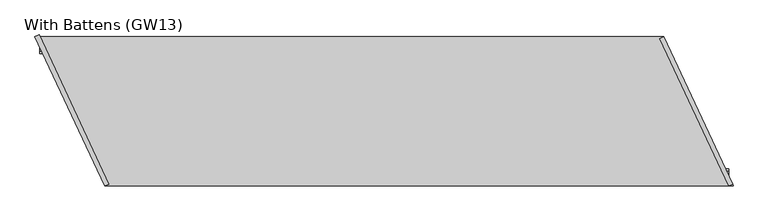
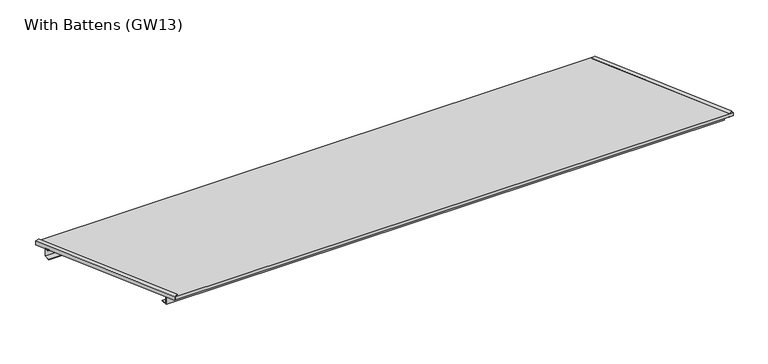
"""IFC4 building model written with IfcOpenShell, lengths in millimetres: proxy geometry, With Battens (GW13)."""

import ifcopenshell
import ifcopenshell.guid

model = None  # the IFC model being written
_history = None  # IfcOwnerHistory: only IFC2X3 demands one
_inside = {}  # id of a spatial element -> (the spatial element, [elements in it])
_under = {}  # id of a project, library or spatial element -> (it, [spatial elements below it])
_declared = {}  # id of a project -> (the project, [libraries it declares])
_typed = {}  # id of a type object -> (the type object, [elements of that type])
_made_of = {}  # id of a material, layer set ... -> (it, [elements and type objects made of it])


def new_model(schema):
    """Start an empty IFC model of exactly this schema.

    Asked for "IFC4X3", IfcOpenShell would pick the latest addendum, in which some entities
    have other attributes; the version numbers below select the first issue.
    IFC2X3 requires an IfcOwnerHistory on every rooted entity: one is made here for all.
    """
    global model, _history
    if schema == "IFC4X3":
        model = ifcopenshell.file(schema_version=(4, 3, 0, 0))
    else:
        model = ifcopenshell.file(schema=schema)
    _inside.clear()
    _under.clear()
    _declared.clear()
    _typed.clear()
    _made_of.clear()
    _history = None
    if model.schema == "IFC2X3":
        org = make("IfcOrganization", Name="unknown")
        user = make(
            "IfcPersonAndOrganization",
            ThePerson=make("IfcPerson", FamilyName="unknown"),
            TheOrganization=org,
        )
        app = make(
            "IfcApplication",
            ApplicationDeveloper=org,
            Version="unknown",
            ApplicationFullName="unknown",
            ApplicationIdentifier="unknown",
        )
        _history = make(
            "IfcOwnerHistory",
            OwningUser=user,
            OwningApplication=app,
            ChangeAction="ADDED",
            CreationDate=0,
        )
    return model


def make(cls, **values):
    """One entity of the class cls with the attributes given. An attribute that is None is left unset."""
    return model.create_entity(
        cls, **{name: value for name, value in values.items() if value is not None}
    )


def rooted(cls, **values):
    """An entity with a GlobalId (a new one), such as an element, a storey or a relation."""
    return make(cls, GlobalId=ifcopenshell.guid.new(), OwnerHistory=_history, **values)


def si_unit(unit_type, name, prefix=None):
    """IfcSIUnit, for example si_unit("LENGTHUNIT", "METRE", prefix="MILLI")."""
    return make("IfcSIUnit", UnitType=unit_type, Prefix=prefix, Name=name)


def assignment(units):
    """IfcUnitAssignment: the units of a project."""
    return None if units is None else make("IfcUnitAssignment", Units=units)


def point(xyz):
    """IfcCartesianPoint."""
    return None if xyz is None else make("IfcCartesianPoint", Coordinates=xyz)


def direction(xyz):
    """IfcDirection."""
    return None if xyz is None else make("IfcDirection", DirectionRatios=xyz)


def frame(location, z_axis=None, x_axis=None):
    """IfcAxis2Placement3D, a coordinate frame: its origin and axes. An axis left out is left unset."""
    return make(
        "IfcAxis2Placement3D",
        Location=point(location),
        Axis=direction(z_axis),
        RefDirection=direction(x_axis),
    )


def origin():
    """The frame at (0, 0, 0) with its axes left unset."""
    return frame((0.0, 0.0, 0.0))


def place(relative_to, where):
    """IfcLocalPlacement: puts the frame where relative to a parent placement (None: the world)."""
    return make(
        "IfcLocalPlacement", PlacementRelTo=relative_to, RelativePlacement=where
    )


def context(
    kind, dimensions, precision=None, world=None, true_north=None, identifier=None
):
    """IfcGeometricRepresentationContext, for example the 3D "Model" context."""
    return make(
        "IfcGeometricRepresentationContext",
        ContextIdentifier=identifier,
        ContextType=kind,
        CoordinateSpaceDimension=dimensions,
        Precision=precision,
        WorldCoordinateSystem=world,
        TrueNorth=true_north,
    )


def project(units=None, contexts=None):
    """IfcProject with its units and contexts."""
    return rooted(
        "IfcProject",
        Name="project",
        RepresentationContexts=contexts,
        UnitsInContext=assignment(units),
    )


def spatial(cls, under=None, at=None, **own):
    """A site, building, storey or space (cls), placed at a placement, below another one or the project."""
    s = rooted(cls, ObjectPlacement=at, **own)
    if under is not None:
        _under.setdefault(under.id(), (under, []))[1].append(s)
    return s


def polyline(points):
    """IfcPolyline through the points."""
    return make("IfcPolyline", Points=[point(p) for p in points])


def outline(outer, holes=None, kind="AREA"):
    """IfcArbitraryClosedProfileDef: a profile drawn as a closed curve; with holes, ...WithVoids."""
    if holes is None:
        return make("IfcArbitraryClosedProfileDef", ProfileType=kind, OuterCurve=outer)
    return make(
        "IfcArbitraryProfileDefWithVoids",
        ProfileType=kind,
        OuterCurve=outer,
        InnerCurves=holes,
    )


def extrude(swept, where, along, depth):
    """IfcExtrudedAreaSolid: the profile swept, set in the frame where, extruded along a direction by depth."""
    return make(
        "IfcExtrudedAreaSolid",
        SweptArea=swept,
        Position=where,
        ExtrudedDirection=direction(along),
        Depth=depth,
    )


def shape(context_of_items, identifier, shape_type, items):
    """IfcShapeRepresentation: the items that make up one representation, for example the "Body"."""
    return make(
        "IfcShapeRepresentation",
        ContextOfItems=context_of_items,
        RepresentationIdentifier=identifier,
        RepresentationType=shape_type,
        Items=items,
    )


def source(mapping_origin, context_of_items, identifier, shape_type, items):
    """IfcRepresentationMap: a shape defined once, which mapped items show again and again."""
    return make(
        "IfcRepresentationMap",
        MappingOrigin=mapping_origin,
        MappedRepresentation=shape(context_of_items, identifier, shape_type, items),
    )


def transform(
    local_origin,
    x_axis=None,
    y_axis=None,
    z_axis=None,
    scale=None,
    scale2=None,
    scale3=None,
    uniform=True,
):
    """IfcCartesianTransformationOperator3D, or its non-uniform kind. x_axis, y_axis, z_axis: its Axis1, 2, 3."""
    if uniform:
        return make(
            "IfcCartesianTransformationOperator3D",
            Axis1=direction(x_axis),
            Axis2=direction(y_axis),
            LocalOrigin=point(local_origin),
            Scale=scale,
            Axis3=direction(z_axis),
        )
    return make(
        "IfcCartesianTransformationOperator3DnonUniform",
        Axis1=direction(x_axis),
        Axis2=direction(y_axis),
        LocalOrigin=point(local_origin),
        Scale=scale,
        Axis3=direction(z_axis),
        Scale2=scale2,
        Scale3=scale3,
    )


def mapped(mapping_source, mapping_target):
    """IfcMappedItem: shows the shape of a source again, moved by a transform."""
    return make(
        "IfcMappedItem", MappingSource=mapping_source, MappingTarget=mapping_target
    )


def made_of(thing, what):
    """Note that an element or type object is made of a material, layer set ...; save() writes the relation."""
    if what is not None:
        _made_of.setdefault(what.id(), (what, []))[1].append(thing)
    return thing


def element(
    cls,
    number,
    at=None,
    inside=None,
    cuts=None,
    type_object=None,
    material=None,
    context=None,
    identifier="Body",
    shape_type=None,
    held_by="IfcProductDefinitionShape",
    body=None,
    shapes=None,
    **own,
):
    """One element of the class cls, such as IfcWall. Its Tag is "e" and its number.

    at: its placement. inside: the storey or other place that contains it. cuts: it is an
    opening in that element (IfcRelVoidsElement). A single representation is given by context,
    identifier, shape_type and body (its items); several are given by shapes. held_by: the class
    of the entity that holds the representations. save() writes the other relations.
    """
    e = rooted(cls, Tag="e%d" % number, ObjectPlacement=at, **own)
    if body is not None:
        shapes = [shape(context, identifier, shape_type, body)]
    if shapes is not None:
        e.Representation = make(held_by, Representations=shapes)
    if inside is not None:
        _inside.setdefault(inside.id(), (inside, []))[1].append(e)
    if cuts is not None:
        rooted(
            "IfcRelVoidsElement", RelatingBuildingElement=cuts, RelatedOpeningElement=e
        )
    if type_object is not None:
        _typed.setdefault(type_object.id(), (type_object, []))[1].append(e)
    return made_of(e, material)


def aggregate(whole, parts):
    """IfcRelAggregates: a whole, such as a stair, and the parts it consists of."""
    return rooted("IfcRelAggregates", RelatingObject=whole, RelatedObjects=parts)


def save(model, path):
    """Write the relations noted so far, then the file.

    IfcRelAggregates (storeys below a building ...), IfcRelContainedInSpatialStructure (elements
    in a storey), IfcRelDefinesByType, IfcRelAssociatesMaterial and IfcRelDeclares: one each for
    every whole, place, type object, material and project.
    """
    for whole, parts in _under.values():
        aggregate(whole, parts)
    for where, things in _inside.values():
        rooted(
            "IfcRelContainedInSpatialStructure",
            RelatedElements=things,
            RelatingStructure=where,
        )
    for kind, things in _typed.values():
        rooted("IfcRelDefinesByType", RelatedObjects=things, RelatingType=kind)
    for what, things in _made_of.values():
        rooted("IfcRelAssociatesMaterial", RelatedObjects=things, RelatingMaterial=what)
    for by, libraries in _declared.values():
        rooted("IfcRelDeclares", RelatingContext=by, RelatedDefinitions=libraries)
    model.write(path)


def with_battens_gw13_a155013b(model_context):
    return source(origin(), model_context, "Body", "SweptSolid", [
        extrude(outline(polyline([(70.0, 0.0), (40.0, 0.0), (40.0, 40.0), (60.0, 40.0), (60.0, 38.0), (42.0, 38.0), (42.0, 2.0), (70.0, 2.0), (70.0, 0.0)])), frame((268.1269034, 0.0, 0.0), z_axis=(1.0, 0.0, 0.0), x_axis=(0.0, 1.0, 0.0)), (0.0, 0.0, 1.0), 2577.3200561),
        extrude(outline(polyline([(545.0, 0.0), (545.0, 2.0), (573.0, 2.0), (573.0, 38.0), (555.0, 38.0), (555.0, 40.0), (575.0, 40.0), (575.0, 0.0), (545.0, 0.0)])), frame((18.6523063, 0.0, 0.0), z_axis=(1.0, 0.0, 0.0), x_axis=(0.0, 1.0, 0.0)), (0.0, 0.0, 1.0), 2577.3200561),
        extrude(outline(polyline([(2864.0992659, 0.0), (286.7792098, 0.0), (0.0, 615.0), (2577.3200561, 615.0), (2864.0992659, 0.0)])), frame((0.0, 0.0, 40.0), z_axis=(0.0, 0.0, 1.0), x_axis=(1.0, 0.0, 0.0)), (0.0, 0.0, 1.0), 15.0),
        extrude(outline(polyline([(-19.0000001, 0.0), (-19.0000001, 2.0), (-2.0000001, 2.0), (-2.0000001, 17.0), (-19.0000001, 17.0), (-19.0000001, 19.0), (0.0, 19.0), (0.0, 0.0), (-19.0000001, 0.0)])), frame((2862.5616892, 8.029747, 57.0), z_axis=(-0.42261826174069766, 0.9063077870366508, 0.0), x_axis=(0.9063077870366508, 0.42261826174069766, 0.0)), (0.0, 0.0, 1.0), 669.7175747),
        extrude(outline(polyline([(-19.0000001, 0.0), (-19.0000001, 2.0), (-2.0, 2.0), (-2.0, 17.0), (-19.0000001, 17.0), (-19.0000001, 19.0), (0.0, 19.0), (0.0, 0.0), (-19.0000001, 0.0)])), frame((284.5724539, 0.0, 38.0), z_axis=(-0.4226182617407062, 0.9063077870366468, 0.0), x_axis=(-0.9063077870366468, -0.4226182617407062, 0.0)), (0.0, 0.0, 1.0), 677.6448048),
    ])


if __name__ == "__main__":
    model = new_model("IFC4")
    model_context = context("Model", 3, world=origin())
    ifc_project = project(units=[si_unit("LENGTHUNIT", "METRE", prefix="MILLI")], contexts=[model_context])
    site = spatial("IfcSite", under=ifc_project)
    building = spatial("IfcBuilding", under=site)
    placement = place(None, origin())
    with_battens_gw13_shape = with_battens_gw13_a155013b(model_context)
    element("IfcBuildingElementProxy", 1, Name="With Battens (GW13)", ObjectType="With Battens (GW13)", at=placement, inside=building, context=model_context, shape_type="MappedRepresentation", body=[
        mapped(with_battens_gw13_shape, transform((0.0, 0.0, 0.0), x_axis=(1.0, 0.0, 0.0), y_axis=(0.0, 1.0, 0.0), z_axis=(0.0, 0.0, 1.0))),
    ])
    save(model, "model.ifc")
